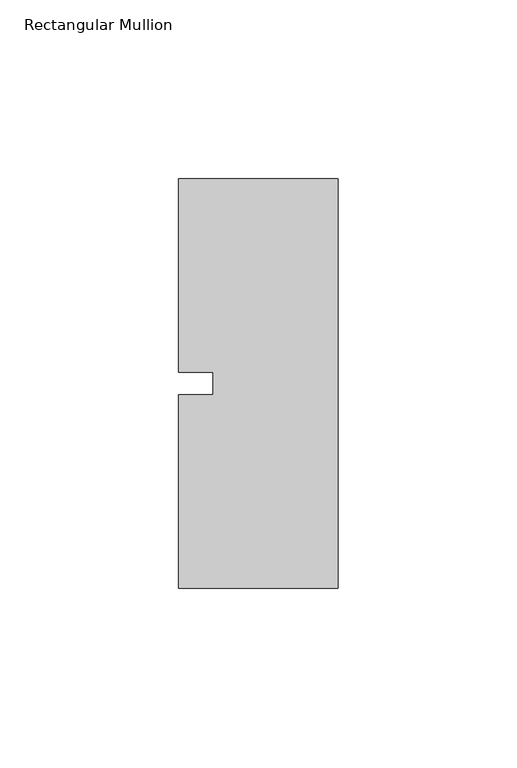
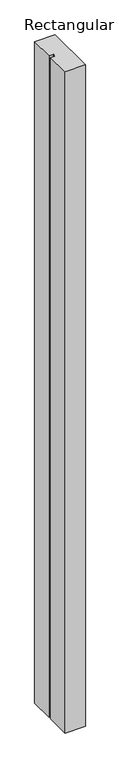
"""IFC4 building model written with IfcOpenShell, lengths in millimetres: member geometry, Rectangular Mullion."""

from ifc_helpers import new_model, si_unit, frame, origin, place, context, project, spatial, polyline, outline, extrude, source, transform, mapped, element, save


def rectangular_mullion_bc3e1053(model_context):
    return source(origin(), model_context, "Body", "SweptSolid", [
        extrude(outline(polyline([(-44.45, -57.1496654), (-44.45, -3.175), (-34.925, -3.175), (-34.925, 3.175), (-44.45, 3.175), (-44.45, 57.1503346), (0.0, 57.1503346), (0.0, -57.1496654), (-44.45, -57.1496654)])), frame((0.0, 0.0, -1524.0), z_axis=(0.0, 0.0, 1.0), x_axis=(1.0, 0.0, 0.0)), (0.0, 0.0, 1.0), 1524.0),
    ])


if __name__ == "__main__":
    model = new_model("IFC4")
    model_context = context("Model", 3, world=origin())
    ifc_project = project(units=[si_unit("LENGTHUNIT", "METRE", prefix="MILLI")], contexts=[model_context])
    site = spatial("IfcSite", under=ifc_project)
    building = spatial("IfcBuilding", under=site)
    placement = place(None, origin())
    rectangular_mullion_shape = rectangular_mullion_bc3e1053(model_context)
    element("IfcMember", 1, ObjectType="Rectangular Mullion", at=placement, inside=building, context=model_context, shape_type="MappedRepresentation", body=[
        mapped(rectangular_mullion_shape, transform((0.0, 0.0, 0.0), x_axis=(1.0, 0.0, 0.0), y_axis=(0.0, 1.0, 0.0), z_axis=(0.0, 0.0, 1.0))),
    ])
    save(model, "model.ifc")
